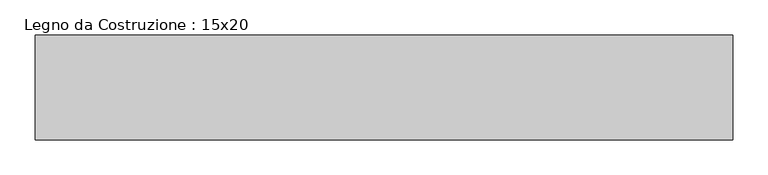
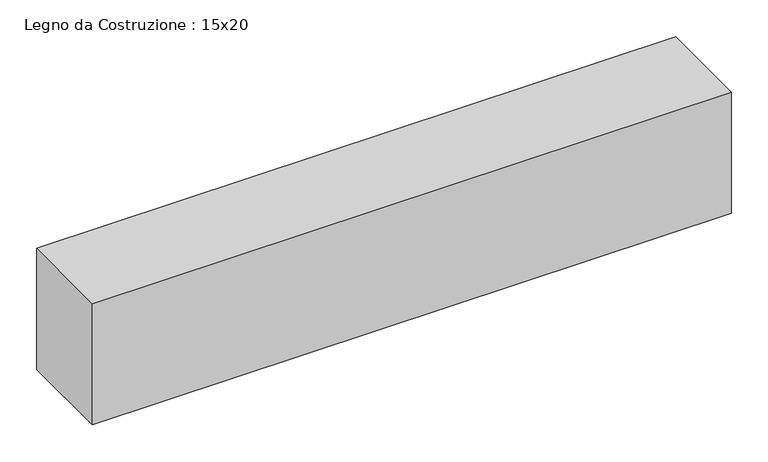
"""IFC4 building model written with IfcOpenShell, lengths in millimetres: beam geometry, Legno da Costruzione : 15x20."""

from ifc_helpers import new_model, si_unit, frame, origin, place, context, project, spatial, polyline, outline, extrude, source, transform, mapped, element, save


def legno_da_costruzione_15x20_6e100d41(model_context):
    return source(origin(), model_context, "Body", "SweptSolid", [
        extrude(outline(polyline([(593.0, 75.0), (593.0, -75.0), (-404.0, -75.0), (-404.0, 75.0), (593.0, 75.0)])), frame((0.0, 0.0, -100.0), z_axis=(0.0, 0.0, 1.0), x_axis=(1.0, 0.0, 0.0)), (0.0, 0.0, 1.0), 200.0),
    ])


if __name__ == "__main__":
    model = new_model("IFC4")
    model_context = context("Model", 3, world=origin())
    ifc_project = project(units=[si_unit("LENGTHUNIT", "METRE", prefix="MILLI")], contexts=[model_context])
    site = spatial("IfcSite", under=ifc_project)
    building = spatial("IfcBuilding", under=site)
    placement = place(None, origin())
    legno_da_costruzione_15x20_shape = legno_da_costruzione_15x20_6e100d41(model_context)
    element("IfcBeam", 1, ObjectType="Legno da Costruzione : 15x20", at=placement, inside=building, context=model_context, shape_type="MappedRepresentation", body=[
        mapped(legno_da_costruzione_15x20_shape, transform((0.0, 0.0, 0.0), x_axis=(1.0, 0.0, 0.0), y_axis=(0.0, 1.0, 0.0), z_axis=(0.0, 0.0, 1.0))),
    ])
    save(model, "model.ifc")
